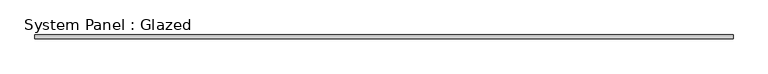
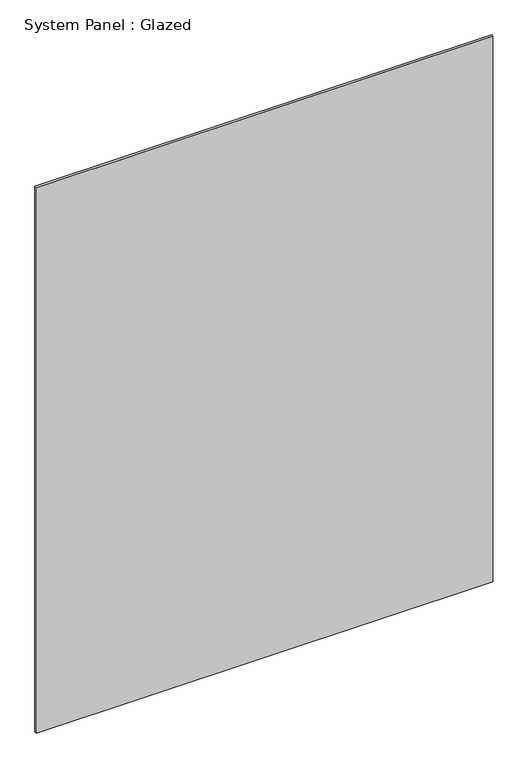
"""IFC4 building model written with IfcOpenShell, lengths in millimetres: plate geometry, System Panel : Glazed."""

from ifc_helpers import new_model, si_unit, origin, origin_with_axes, place, context, project, spatial, polyline, outline, extrude, source, transform, mapped, element, save


def system_panel_glazed_51e9c80b(model_context):
    return source(origin(), model_context, "Body", "SweptSolid", [
        extrude(outline(polyline([(576.2653575, -3.175), (-576.2653575, -3.175), (-576.2653575, 3.175), (576.2653575, 3.175), (576.2653575, -3.175)])), origin_with_axes(), (0.0, 0.0, 1.0), 1455.758455),
    ])


if __name__ == "__main__":
    model = new_model("IFC4")
    model_context = context("Model", 3, world=origin())
    ifc_project = project(units=[si_unit("LENGTHUNIT", "METRE", prefix="MILLI")], contexts=[model_context])
    site = spatial("IfcSite", under=ifc_project)
    building = spatial("IfcBuilding", under=site)
    placement = place(None, origin())
    system_panel_glazed_shape = system_panel_glazed_51e9c80b(model_context)
    element("IfcPlate", 1, ObjectType="System Panel : Glazed", at=placement, inside=building, context=model_context, shape_type="MappedRepresentation", body=[
        mapped(system_panel_glazed_shape, transform((0.0, 0.0, 0.0), x_axis=(1.0, 0.0, 0.0), y_axis=(0.0, 1.0, 0.0), z_axis=(0.0, 0.0, 1.0))),
    ])
    save(model, "model.ifc")
